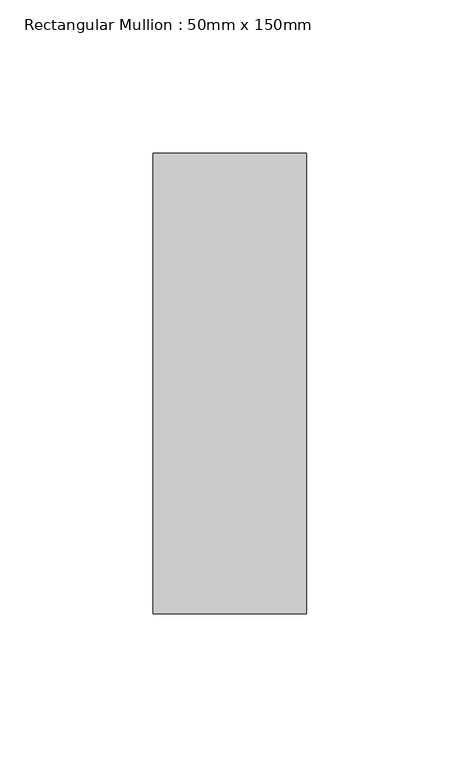
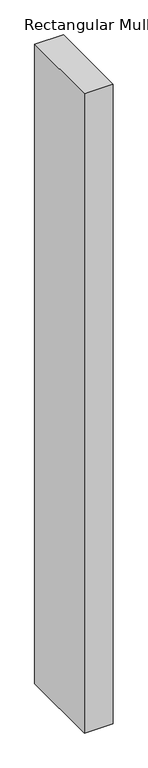
"""IFC4 building model written with IfcOpenShell, lengths in millimetres: member geometry, Rectangular Mullion : 50mm x 150mm."""

from ifc_helpers import new_model, si_unit, frame, origin, place, context, project, spatial, polyline, outline, extrude, source, transform, mapped, element, save


def rectangular_mullion_50mm_x_150mm_88cb7a83(model_context):
    return source(origin(), model_context, "Body", "SweptSolid", [
        extrude(outline(polyline([(25.0, 75.0), (25.0, -75.0), (-25.0, -75.0), (-25.0, 75.0), (25.0, 75.0)])), frame((0.0, 0.0, -1175.0000002), z_axis=(0.0, 0.0, 1.0), x_axis=(1.0, 0.0, 0.0)), (0.0, 0.0, 1.0), 1175.0000002),
    ])


if __name__ == "__main__":
    model = new_model("IFC4")
    model_context = context("Model", 3, world=origin())
    ifc_project = project(units=[si_unit("LENGTHUNIT", "METRE", prefix="MILLI")], contexts=[model_context])
    site = spatial("IfcSite", under=ifc_project)
    building = spatial("IfcBuilding", under=site)
    placement = place(None, origin())
    rectangular_mullion_50mm_x_150mm_shape = rectangular_mullion_50mm_x_150mm_88cb7a83(model_context)
    element("IfcMember", 1, ObjectType="Rectangular Mullion : 50mm x 150mm", at=placement, inside=building, context=model_context, shape_type="MappedRepresentation", body=[
        mapped(rectangular_mullion_50mm_x_150mm_shape, transform((0.0, 0.0, 0.0), x_axis=(1.0, 0.0, 0.0), y_axis=(0.0, 1.0, 0.0), z_axis=(0.0, 0.0, 1.0))),
    ])
    save(model, "model.ifc")
